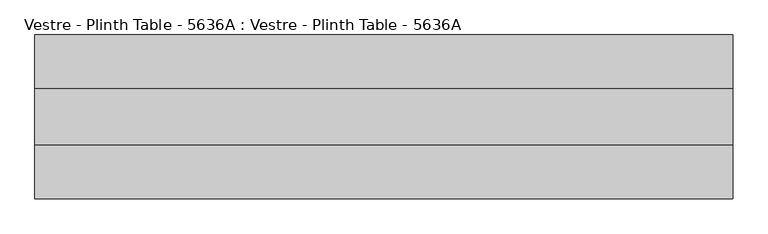
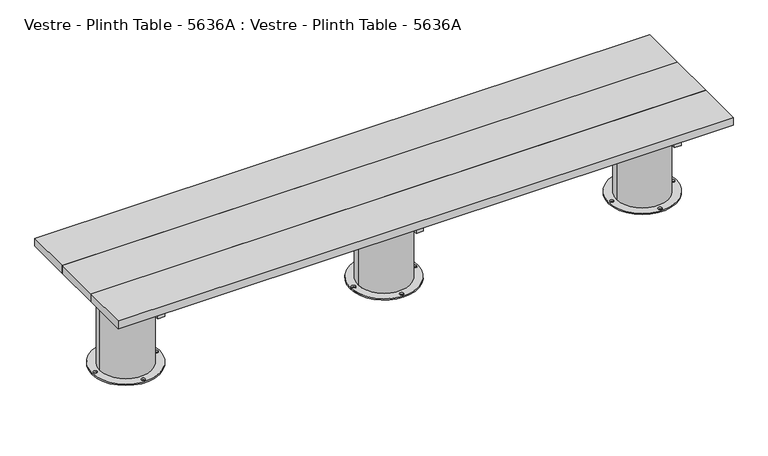
"""IFC4 building model written with IfcOpenShell, lengths in millimetres: furniture geometry, Vestre - Plinth Table - 5636A : Vestre - Plinth Table - 5636A."""

from ifc_helpers import new_model, si_unit, frame, origin, place, context, project, spatial, polyline, circle_curve, outline, extrude, source, transform, mapped, element, save
from ifc_brep_helpers import plane_surface, cylinder_surface, revolved_surface, advanced_brep


def vestre_plinth_table_5636a_vestre_plinth_table_5636a_cd278ea3(model_context):
    return source(origin(), model_context, "Body", "SolidModel", [
        extrude(outline(polyline([(1116.0, -483.0002308), (1085.9816865, -483.0002308), (1085.9816865, 43.000233), (1116.0, 43.000233), (1116.0, -483.0002308)])), frame((0.0, 0.0, 364.9999847), z_axis=(0.0, 0.0, 1.0), x_axis=(1.0, 0.0, 0.0)), (0.0, 0.0, 1.0), 50.0),
        extrude(outline(polyline([(-1085.9816865, -483.0002308), (-1116.0, -483.0002308), (-1116.0, 43.000233), (-1085.9816865, 43.000233), (-1085.9816865, -483.0002308)])), frame((0.0, 0.0, 364.9999847), z_axis=(0.0, 0.0, 1.0), x_axis=(1.0, 0.0, 0.0)), (0.0, 0.0, 1.0), 50.0),
        extrude(outline(polyline([(15.0005464, -483.0002308), (-15.0177671, -483.0002308), (-15.0177671, 43.000233), (15.0005464, 43.000233), (15.0005464, -483.0002308)])), frame((0.0, 0.0, 364.9999847), z_axis=(0.0, 0.0, 1.0), x_axis=(1.0, 0.0, 0.0)), (0.0, 0.0, 1.0), 50.0),
        extrude(outline(polyline([(1310.5001055, -114.9999989), (1310.5001055, -324.9999989), (-1310.5001055, -324.9999989), (-1310.5001055, -114.9999989), (1310.5001055, -114.9999989)])), frame((0.0, 0.0, 414.9999847), z_axis=(0.0, 0.0, 1.0), x_axis=(1.0, 0.0, 0.0)), (0.0, 0.0, 1.0), 35.0000153),
        extrude(outline(polyline([(1089.0001055, -202.4998463), (1089.0001055, -237.5001515), (-1089.0001055, -237.5001515), (-1089.0001055, -202.4998463), (1089.0001055, -202.4998463)])), frame((0.0, 0.0, 274.9999847), z_axis=(0.0, 0.0, 1.0), x_axis=(1.0, 0.0, 0.0)), (0.0, 0.0, 1.0), 90.0),
        extrude(outline(polyline([(1310.5001055, 87.500233), (1310.5001055, -114.9999989), (-1310.5001055, -114.9999989), (-1310.5001055, 87.500233), (1310.5001055, 87.500233)])), frame((0.0, 0.0, 414.9999847), z_axis=(0.0, 0.0, 1.0), x_axis=(1.0, 0.0, 0.0)), (0.0, 0.0, 1.0), 35.0000153),
        extrude(outline(polyline([(1310.5001055, -324.9999989), (1310.5001055, -527.5002308), (-1310.5001055, -527.5002308), (-1310.5001055, -324.9999989), (1310.5001055, -324.9999989)])), frame((0.0, 0.0, 414.9999847), z_axis=(0.0, 0.0, 1.0), x_axis=(1.0, 0.0, 0.0)), (0.0, 0.0, 1.0), 35.0000153),
        advanced_brep(
        [(108.1777507, -202.4998463, 364.9999847), (-108.1777507, -202.4998463, 364.9999847), (-108.1777507, -237.5001515, 364.9999847), (108.1777507, -237.5001515, 364.9999847), (144.5284655, -219.9999989, 0.0), (-144.531744, -219.9999989, 0.0), (138.0, -219.9999989, 0.0), (122.0, -219.9999989, 0.0), (8.0, -90.0001458, 0.0), (-8.0, -90.0001458, 0.0), (-138.0032784, -219.9999989, 0.0), (-122.0032784, -219.9999989, 0.0), (8.0, -349.9998521, 0.0), (-8.0, -349.9998521, 0.0), (-109.5841279, -219.9999989, 5.8600001), (109.5841279, -219.9999989, 5.8600001), (109.5841279, -219.9999989, 274.9999847), (108.1777507, -237.5001515, 274.9999847), (-108.1777507, -237.5001515, 274.9999847), (-109.5841279, -219.9999989, 274.9999847), (-108.1777507, -202.4998463, 274.9999847), (108.1777507, -202.4998463, 274.9999847), (144.5284655, -219.9999989, 5.8600001), (-144.531744, -219.9999989, 5.8600001), (138.0, -219.9999989, 5.8600001), (122.0, -219.9999989, 5.8600001), (8.0, -90.0001458, 5.8600001), (-8.0, -90.0001458, 5.8600001), (-138.0032784, -219.9999989, 5.8600001), (-122.0032784, -219.9999989, 5.8600001), (8.0, -349.9998521, 5.8600001), (-8.0, -349.9998521, 5.8600001)],
        [
            (0, 1, circle_curve(frame((0.0, -219.9999989, 364.9999847), z_axis=(0.0, 0.0, 1.0), x_axis=(-1.0, 0.0, 0.0)), 109.5841279)),
            (1, 0),
            (2, 3, circle_curve(frame((0.0, -219.9999989, 364.9999847), z_axis=(0.0, 0.0, 1.0), x_axis=(-1.0, 0.0, 0.0)), 109.5841279)),
            (3, 2),
            (4, 5, circle_curve(frame((-0.0016392, -219.9999989, 0.0), z_axis=(0.0, 0.0, -1.0), x_axis=(-1.0, 0.0, 0.0)), 144.5301047)),
            (5, 4, circle_curve(frame((-0.0016392, -219.9999989, 0.0), z_axis=(0.0, 0.0, -1.0), x_axis=(-1.0, 0.0, 0.0)), 144.5301047)),
            (6, 7, circle_curve(frame((130.0, -219.9999989, 0.0), z_axis=(0.0, 0.0, 1.0), x_axis=(-1.0, 0.0, 0.0)), 8.0)),
            (7, 6, circle_curve(frame((130.0, -219.9999989, 0.0), z_axis=(0.0, 0.0, 1.0), x_axis=(-1.0, 0.0, 0.0)), 8.0)),
            (8, 9, circle_curve(frame((0.0, -90.0001458, 0.0), z_axis=(0.0, 0.0, 1.0), x_axis=(-1.0, 0.0, 0.0)), 8.0)),
            (9, 8, circle_curve(frame((0.0, -90.0001458, 0.0), z_axis=(0.0, 0.0, 1.0), x_axis=(-1.0, 0.0, 0.0)), 8.0)),
            (10, 11, circle_curve(frame((-130.0032784, -219.9999989, 0.0), z_axis=(0.0, 0.0, 1.0), x_axis=(1.0, 0.0, 0.0)), 8.0)),
            (11, 10, circle_curve(frame((-130.0032784, -219.9999989, 0.0), z_axis=(0.0, 0.0, 1.0), x_axis=(1.0, 0.0, 0.0)), 8.0)),
            (12, 13, circle_curve(frame((0.0, -349.9998521, 0.0), z_axis=(0.0, 0.0, 1.0), x_axis=(-1.0, 0.0, 0.0)), 8.0)),
            (13, 12, circle_curve(frame((0.0, -349.9998521, 0.0), z_axis=(0.0, 0.0, 1.0), x_axis=(-1.0, 0.0, 0.0)), 8.0)),
            (14, 15, circle_curve(frame((0.0, -219.9999989, 5.8600001), z_axis=(0.0, 0.0, 1.0), x_axis=(-1.0, 0.0, 0.0)), 109.5841279)),
            (15, 16),
            (16, 17, circle_curve(frame((0.0, -219.9999989, 274.9999847), z_axis=(0.0, 0.0, -1.0), x_axis=(-1.0, 0.0, 0.0)), 109.5841279)),
            (17, 3),
            (2, 18),
            (18, 19, circle_curve(frame((0.0, -219.9999989, 274.9999847), z_axis=(0.0, 0.0, -1.0), x_axis=(-1.0, 0.0, 0.0)), 109.5841279)),
            (19, 14),
            (15, 14, circle_curve(frame((0.0, -219.9999989, 5.8600001), z_axis=(0.0, 0.0, 1.0), x_axis=(-1.0, 0.0, 0.0)), 109.5841279)),
            (19, 20, circle_curve(frame((0.0, -219.9999989, 274.9999847), z_axis=(0.0, 0.0, -1.0), x_axis=(-1.0, 0.0, 0.0)), 109.5841279)),
            (20, 1),
            (0, 21),
            (21, 16, circle_curve(frame((0.0, -219.9999989, 274.9999847), z_axis=(0.0, 0.0, -1.0), x_axis=(-1.0, 0.0, 0.0)), 109.5841279)),
            (22, 23, circle_curve(frame((-0.0016392, -219.9999989, 5.8600001), z_axis=(0.0, 0.0, 1.0), x_axis=(-1.0, 0.0, 0.0)), 144.5301047)),
            (23, 22, circle_curve(frame((-0.0016392, -219.9999989, 5.8600001), z_axis=(0.0, 0.0, 1.0), x_axis=(-1.0, 0.0, 0.0)), 144.5301047)),
            (24, 25, circle_curve(frame((130.0, -219.9999989, 5.8600001), z_axis=(0.0, 0.0, -1.0), x_axis=(-1.0, 0.0, 0.0)), 8.0)),
            (25, 24, circle_curve(frame((130.0, -219.9999989, 5.8600001), z_axis=(0.0, 0.0, -1.0), x_axis=(-1.0, 0.0, 0.0)), 8.0)),
            (26, 27, circle_curve(frame((0.0, -90.0001458, 5.8600001), z_axis=(0.0, 0.0, -1.0), x_axis=(-1.0, 0.0, 0.0)), 8.0)),
            (27, 26, circle_curve(frame((0.0, -90.0001458, 5.8600001), z_axis=(0.0, 0.0, -1.0), x_axis=(-1.0, 0.0, 0.0)), 8.0)),
            (28, 29, circle_curve(frame((-130.0032784, -219.9999989, 5.8600001), z_axis=(0.0, 0.0, -1.0), x_axis=(1.0, 0.0, 0.0)), 8.0)),
            (29, 28, circle_curve(frame((-130.0032784, -219.9999989, 5.8600001), z_axis=(0.0, 0.0, -1.0), x_axis=(1.0, 0.0, 0.0)), 8.0)),
            (30, 31, circle_curve(frame((0.0, -349.9998521, 5.8600001), z_axis=(0.0, 0.0, -1.0), x_axis=(-1.0, 0.0, 0.0)), 8.0)),
            (31, 30, circle_curve(frame((0.0, -349.9998521, 5.8600001), z_axis=(0.0, 0.0, -1.0), x_axis=(-1.0, 0.0, 0.0)), 8.0)),
            (22, 4),
            (5, 23),
            (24, 6),
            (7, 25),
            (26, 8),
            (9, 27),
            (28, 10),
            (11, 29),
            (30, 12),
            (13, 31),
            (21, 20),
            (18, 17),
        ],
        [
            plane_surface(frame((-109.5841279, -219.9999989, 364.9999847), z_axis=(0.0, 0.0, 1.0), x_axis=(0.0, -1.0, 0.0))),
            plane_surface(frame((-109.5841279, -219.9999989, 0.0), z_axis=(0.0, 0.0, -1.0), x_axis=(0.0, 1.0, 0.0))),
            cylinder_surface(frame((0.0, -219.9999989, 0.0), z_axis=(0.0, 0.0, 1.0), x_axis=(-1.0, 0.0, 0.0)), 109.5841279),
            plane_surface(frame((-144.531744, -219.9999989, 5.8600001), z_axis=(0.0, 0.0, 1.0), x_axis=(0.0, -1.0, 0.0))),
            cylinder_surface(frame((-0.0016392, -219.9999989, 0.0), z_axis=(0.0, 0.0, 1.0), x_axis=(-1.0, 0.0, 0.0)), 144.5301047),
            revolved_surface(polyline([(122.0, -219.9999989, 0.0), (122.0, -219.9999989, 5.8600001)]), (130.0, -219.9999989, 0.0), (0.0, 0.0, -1.0)),
            revolved_surface(polyline([(-8.0, -90.0001458, 0.0), (-8.0, -90.0001458, 5.8600001)]), (0.0, -90.0001458, 0.0), (0.0, 0.0, -1.0)),
            revolved_surface(polyline([(-122.0032784, -219.9999989, 0.0), (-122.0032784, -219.9999989, 5.8600001)]), (-130.0032784, -219.9999989, 0.0), (0.0, 0.0, -1.0)),
            revolved_surface(polyline([(-8.0, -349.9998521, 0.0), (-8.0, -349.9998521, 5.8600001)]), (0.0, -349.9998521, 0.0), (0.0, 0.0, -1.0)),
            plane_surface(frame((-130.5005464, -202.4998463, 274.9999847), z_axis=(0.0, 0.0, 1.0), x_axis=(1.0, 0.0, 0.0))),
            plane_surface(frame((-130.5005464, -202.4998463, 364.9999847), z_axis=(0.0, -1.0, 0.0), x_axis=(1.0, 0.0, 0.0))),
            plane_surface(frame((-130.5005464, -237.5001515, 274.9999847), z_axis=(0.0, 1.0, 0.0), x_axis=(1.0, 0.0, 0.0))),
        ],
        [
            (0, [[1, 2]]),
            (0, [[3, 4]]),
            (1, [[5, 6], [7, 8], [9, 10], [11, 12], [13, 14]]),
            (2, [[15, 16, 17, 18, -3, 19, 20, 21]]),
            (2, [[22, -21, 23, 24, -1, 25, 26, -16]]),
            (3, [[27, 28], [-15, -22], [29, 30], [31, 32], [33, 34], [35, 36]]),
            (4, [[-27, 37, -6, 38]]),
            (4, [[-28, -38, -5, -37]]),
            (5, [[-29, 39, -8, 40]]),
            (5, [[-30, -40, -7, -39]]),
            (6, [[-31, 41, -10, 42]]),
            (6, [[-32, -42, -9, -41]]),
            (7, [[-33, 43, -12, 44]]),
            (7, [[-34, -44, -11, -43]]),
            (8, [[-35, 45, -14, 46]]),
            (8, [[-36, -46, -13, -45]]),
            (9, [[47, -23, -20, 48, -17, -26]]),
            (10, [[-47, -25, -2, -24]]),
            (11, [[-48, -19, -4, -18]]),
        ],
    ),
        advanced_brep(
        [(1210.5835815, -219.9999989, 364.9999847), (992.8217029, -202.4998463, 364.9999847), (1089.0010928, -202.4998463, 364.9999847), (1089.0010928, -237.5001515, 364.9999847), (992.8217029, -237.5001515, 364.9999847), (1245.5295583, -219.9999989, 0.0), (956.4693488, -219.9999989, 0.0), (1239.0010928, -219.9999989, 0.0), (1223.0010928, -219.9999989, 0.0), (1109.0010928, -90.0001458, 0.0), (1093.0010928, -90.0001458, 0.0), (962.9978144, -219.9999989, 0.0), (978.9978144, -219.9999989, 0.0), (1109.0010928, -349.9998521, 0.0), (1093.0010928, -349.9998521, 0.0), (1210.5835815, -219.9999989, 5.8600001), (992.8217029, -237.5001515, 274.9999847), (991.4153257, -219.9999989, 274.9999847), (991.4153257, -219.9999989, 5.8600001), (992.8217029, -202.4998463, 274.9999847), (1245.5295583, -219.9999989, 5.8600001), (956.4693488, -219.9999989, 5.8600001), (1239.0010928, -219.9999989, 5.8600001), (1223.0010928, -219.9999989, 5.8600001), (1109.0010928, -90.0001458, 5.8600001), (1093.0010928, -90.0001458, 5.8600001), (962.9978144, -219.9999989, 5.8600001), (978.9978144, -219.9999989, 5.8600001), (1109.0010928, -349.9998521, 5.8600001), (1093.0010928, -349.9998521, 5.8600001), (1089.0010928, -237.5001515, 274.9999847), (1089.0010928, -202.4998463, 274.9999847)],
        [
            (0, 1, circle_curve(frame((1100.9994536, -219.9999989, 364.9999847), z_axis=(0.0, 0.0, 1.0), x_axis=(-1.0, 0.0, 0.0)), 109.5841279)),
            (1, 2),
            (2, 3),
            (3, 4),
            (4, 0, circle_curve(frame((1100.9994536, -219.9999989, 364.9999847), z_axis=(0.0, 0.0, 1.0), x_axis=(-1.0, 0.0, 0.0)), 109.5841279)),
            (5, 6, circle_curve(frame((1100.9994536, -219.9999989, 0.0), z_axis=(0.0, 0.0, -1.0), x_axis=(-1.0, 0.0, 0.0)), 144.5301047)),
            (6, 5, circle_curve(frame((1100.9994536, -219.9999989, 0.0), z_axis=(0.0, 0.0, -1.0), x_axis=(-1.0, 0.0, 0.0)), 144.5301047)),
            (7, 8, circle_curve(frame((1231.0010928, -219.9999989, 0.0), z_axis=(0.0, 0.0, 1.0), x_axis=(-1.0, 0.0, 0.0)), 8.0)),
            (8, 7, circle_curve(frame((1231.0010928, -219.9999989, 0.0), z_axis=(0.0, 0.0, 1.0), x_axis=(-1.0, 0.0, 0.0)), 8.0)),
            (9, 10, circle_curve(frame((1101.0010928, -90.0001458, 0.0), z_axis=(0.0, 0.0, 1.0), x_axis=(-1.0, 0.0, 0.0)), 8.0)),
            (10, 9, circle_curve(frame((1101.0010928, -90.0001458, 0.0), z_axis=(0.0, 0.0, 1.0), x_axis=(-1.0, 0.0, 0.0)), 8.0)),
            (11, 12, circle_curve(frame((970.9978144, -219.9999989, 0.0), z_axis=(0.0, 0.0, 1.0), x_axis=(1.0, 0.0, 0.0)), 8.0)),
            (12, 11, circle_curve(frame((970.9978144, -219.9999989, 0.0), z_axis=(0.0, 0.0, 1.0), x_axis=(1.0, 0.0, 0.0)), 8.0)),
            (13, 14, circle_curve(frame((1101.0010928, -349.9998521, 0.0), z_axis=(0.0, 0.0, 1.0), x_axis=(-1.0, 0.0, 0.0)), 8.0)),
            (14, 13, circle_curve(frame((1101.0010928, -349.9998521, 0.0), z_axis=(0.0, 0.0, 1.0), x_axis=(-1.0, 0.0, 0.0)), 8.0)),
            (15, 0),
            (4, 16),
            (16, 17, circle_curve(frame((1100.9994536, -219.9999989, 274.9999847), z_axis=(0.0, 0.0, -1.0), x_axis=(-1.0, 0.0, 0.0)), 109.5841279)),
            (17, 18),
            (18, 15, circle_curve(frame((1100.9994536, -219.9999989, 5.8600001), z_axis=(0.0, 0.0, 1.0), x_axis=(-1.0, 0.0, 0.0)), 109.5841279)),
            (15, 18, circle_curve(frame((1100.9994536, -219.9999989, 5.8600001), z_axis=(0.0, 0.0, 1.0), x_axis=(-1.0, 0.0, 0.0)), 109.5841279)),
            (17, 19, circle_curve(frame((1100.9994536, -219.9999989, 274.9999847), z_axis=(0.0, 0.0, -1.0), x_axis=(-1.0, 0.0, 0.0)), 109.5841279)),
            (19, 1),
            (20, 21, circle_curve(frame((1100.9994536, -219.9999989, 5.8600001), z_axis=(0.0, 0.0, 1.0), x_axis=(-1.0, 0.0, 0.0)), 144.5301047)),
            (21, 20, circle_curve(frame((1100.9994536, -219.9999989, 5.8600001), z_axis=(0.0, 0.0, 1.0), x_axis=(-1.0, 0.0, 0.0)), 144.5301047)),
            (22, 23, circle_curve(frame((1231.0010928, -219.9999989, 5.8600001), z_axis=(0.0, 0.0, -1.0), x_axis=(-1.0, 0.0, 0.0)), 8.0)),
            (23, 22, circle_curve(frame((1231.0010928, -219.9999989, 5.8600001), z_axis=(0.0, 0.0, -1.0), x_axis=(-1.0, 0.0, 0.0)), 8.0)),
            (24, 25, circle_curve(frame((1101.0010928, -90.0001458, 5.8600001), z_axis=(0.0, 0.0, -1.0), x_axis=(-1.0, 0.0, 0.0)), 8.0)),
            (25, 24, circle_curve(frame((1101.0010928, -90.0001458, 5.8600001), z_axis=(0.0, 0.0, -1.0), x_axis=(-1.0, 0.0, 0.0)), 8.0)),
            (26, 27, circle_curve(frame((970.9978144, -219.9999989, 5.8600001), z_axis=(0.0, 0.0, -1.0), x_axis=(1.0, 0.0, 0.0)), 8.0)),
            (27, 26, circle_curve(frame((970.9978144, -219.9999989, 5.8600001), z_axis=(0.0, 0.0, -1.0), x_axis=(1.0, 0.0, 0.0)), 8.0)),
            (28, 29, circle_curve(frame((1101.0010928, -349.9998521, 5.8600001), z_axis=(0.0, 0.0, -1.0), x_axis=(-1.0, 0.0, 0.0)), 8.0)),
            (29, 28, circle_curve(frame((1101.0010928, -349.9998521, 5.8600001), z_axis=(0.0, 0.0, -1.0), x_axis=(-1.0, 0.0, 0.0)), 8.0)),
            (21, 6),
            (5, 20),
            (23, 8),
            (7, 22),
            (25, 10),
            (9, 24),
            (27, 12),
            (11, 26),
            (29, 14),
            (13, 28),
            (30, 3),
            (2, 31),
            (31, 30),
            (31, 19),
            (16, 30),
        ],
        [
            plane_surface(frame((991.4153257, -219.9999989, 364.9999847), z_axis=(0.0, 0.0, 1.0), x_axis=(0.0, -1.0, 0.0))),
            plane_surface(frame((991.4153257, -219.9999989, 0.0), z_axis=(0.0, 0.0, -1.0), x_axis=(0.0, 1.0, 0.0))),
            cylinder_surface(frame((1100.9994536, -219.9999989, 0.0), z_axis=(0.0, 0.0, 1.0), x_axis=(-1.0, 0.0, 0.0)), 109.5841279),
            plane_surface(frame((956.4693488, -219.9999989, 5.8600001), z_axis=(0.0, 0.0, 1.0), x_axis=(0.0, -1.0, 0.0))),
            cylinder_surface(frame((1100.9994536, -219.9999989, 0.0), z_axis=(0.0, 0.0, 1.0), x_axis=(-1.0, 0.0, 0.0)), 144.5301047),
            revolved_surface(polyline([(1223.0010928, -219.9999989, 0.0), (1223.0010928, -219.9999989, 5.8600001)]), (1231.0010928, -219.9999989, 0.0), (0.0, 0.0, -1.0)),
            revolved_surface(polyline([(1093.0010928, -90.0001458, 0.0), (1093.0010928, -90.0001458, 5.8600001)]), (1101.0010928, -90.0001458, 0.0), (0.0, 0.0, -1.0)),
            revolved_surface(polyline([(978.9978144, -219.9999989, 0.0), (978.9978144, -219.9999989, 5.8600001)]), (970.9978144, -219.9999989, 0.0), (0.0, 0.0, -1.0)),
            revolved_surface(polyline([(1093.0010928, -349.9998521, 0.0), (1093.0010928, -349.9998521, 5.8600001)]), (1101.0010928, -349.9998521, 0.0), (0.0, 0.0, -1.0)),
            plane_surface(frame((1089.0010928, -237.5001515, 274.9999847), z_axis=(-1.0, 0.0, 0.0), x_axis=(0.0, 0.0, -1.0))),
            plane_surface(frame((970.5005464, -202.4998463, 274.9999847), z_axis=(0.0, 0.0, 1.0), x_axis=(1.0, 0.0, 0.0))),
            plane_surface(frame((970.5005464, -202.4998463, 364.9999847), z_axis=(0.0, -1.0, 0.0), x_axis=(1.0, 0.0, 0.0))),
            plane_surface(frame((970.5005464, -237.5001515, 274.9999847), z_axis=(0.0, 1.0, 0.0), x_axis=(1.0, 0.0, 0.0))),
        ],
        [
            (0, [[1, 2, 3, 4, 5]]),
            (1, [[6, 7], [8, 9], [10, 11], [12, 13], [14, 15]]),
            (2, [[16, -5, 17, 18, 19, 20]]),
            (2, [[-16, 21, -19, 22, 23, -1]]),
            (3, [[24, 25], [-20, -21], [26, 27], [28, 29], [30, 31], [32, 33]]),
            (4, [[-25, 34, -6, 35]]),
            (4, [[-24, -35, -7, -34]]),
            (5, [[-27, 36, -8, 37]]),
            (5, [[-26, -37, -9, -36]]),
            (6, [[-29, 38, -10, 39]]),
            (6, [[-28, -39, -11, -38]]),
            (7, [[-31, 40, -12, 41]]),
            (7, [[-30, -41, -13, -40]]),
            (8, [[-33, 42, -14, 43]]),
            (8, [[-32, -43, -15, -42]]),
            (9, [[44, -3, 45, 46]]),
            (10, [[-46, 47, -22, -18, 48]]),
            (11, [[-45, -2, -23, -47]]),
            (12, [[-44, -48, -17, -4]]),
        ],
    ),
        advanced_brep(
        [(-1210.5835815, -219.9999989, 364.9999847), (-992.8217029, -237.5001515, 364.9999847), (-1089.0010928, -237.5001515, 364.9999847), (-1089.0010928, -202.4998463, 364.9999847), (-992.8217029, -202.4998463, 364.9999847), (-1245.5295583, -219.9999989, 0.0), (-956.4693488, -219.9999989, 0.0), (-1239.0010928, -219.9999989, 0.0), (-1223.0010928, -219.9999989, 0.0), (-1109.0010928, -90.0001458, 0.0), (-1093.0010928, -90.0001458, 0.0), (-962.9978144, -219.9999989, 0.0), (-978.9978144, -219.9999989, 0.0), (-1109.0010928, -349.9998521, 0.0), (-1093.0010928, -349.9998521, 0.0), (-1210.5835815, -219.9999989, 5.8600001), (-991.4153257, -219.9999989, 5.8600001), (-991.4153257, -219.9999989, 274.9999847), (-992.8217029, -237.5001515, 274.9999847), (-992.8217029, -202.4998463, 274.9999847), (-1245.5295583, -219.9999989, 5.8600001), (-956.4693488, -219.9999989, 5.8600001), (-1239.0010928, -219.9999989, 5.8600001), (-1223.0010928, -219.9999989, 5.8600001), (-1109.0010928, -90.0001458, 5.8600001), (-1093.0010928, -90.0001458, 5.8600001), (-962.9978144, -219.9999989, 5.8600001), (-978.9978144, -219.9999989, 5.8600001), (-1109.0010928, -349.9998521, 5.8600001), (-1093.0010928, -349.9998521, 5.8600001), (-1089.0010928, -237.5001515, 274.9999847), (-1089.0010928, -202.4998463, 274.9999847)],
        [
            (0, 1, circle_curve(frame((-1100.9994536, -219.9999989, 364.9999847), z_axis=(0.0, 0.0, 1.0), x_axis=(1.0, 0.0, 0.0)), 109.5841279)),
            (1, 2),
            (2, 3),
            (3, 4),
            (4, 0, circle_curve(frame((-1100.9994536, -219.9999989, 364.9999847), z_axis=(0.0, 0.0, 1.0), x_axis=(1.0, 0.0, 0.0)), 109.5841279)),
            (5, 6, circle_curve(frame((-1100.9994536, -219.9999989, 0.0), z_axis=(0.0, 0.0, -1.0), x_axis=(1.0, 0.0, 0.0)), 144.5301047)),
            (6, 5, circle_curve(frame((-1100.9994536, -219.9999989, 0.0), z_axis=(0.0, 0.0, -1.0), x_axis=(1.0, 0.0, 0.0)), 144.5301047)),
            (7, 8, circle_curve(frame((-1231.0010928, -219.9999989, 0.0), z_axis=(0.0, 0.0, 1.0), x_axis=(1.0, 0.0, 0.0)), 8.0)),
            (8, 7, circle_curve(frame((-1231.0010928, -219.9999989, 0.0), z_axis=(0.0, 0.0, 1.0), x_axis=(1.0, 0.0, 0.0)), 8.0)),
            (9, 10, circle_curve(frame((-1101.0010928, -90.0001458, 0.0), z_axis=(0.0, 0.0, 1.0), x_axis=(1.0, 0.0, 0.0)), 8.0)),
            (10, 9, circle_curve(frame((-1101.0010928, -90.0001458, 0.0), z_axis=(0.0, 0.0, 1.0), x_axis=(1.0, 0.0, 0.0)), 8.0)),
            (11, 12, circle_curve(frame((-970.9978144, -219.9999989, 0.0), z_axis=(0.0, 0.0, 1.0), x_axis=(-1.0, 0.0, 0.0)), 8.0)),
            (12, 11, circle_curve(frame((-970.9978144, -219.9999989, 0.0), z_axis=(0.0, 0.0, 1.0), x_axis=(-1.0, 0.0, 0.0)), 8.0)),
            (13, 14, circle_curve(frame((-1101.0010928, -349.9998521, 0.0), z_axis=(0.0, 0.0, 1.0), x_axis=(1.0, 0.0, 0.0)), 8.0)),
            (14, 13, circle_curve(frame((-1101.0010928, -349.9998521, 0.0), z_axis=(0.0, 0.0, 1.0), x_axis=(1.0, 0.0, 0.0)), 8.0)),
            (0, 15),
            (15, 16, circle_curve(frame((-1100.9994536, -219.9999989, 5.8600001), z_axis=(0.0, 0.0, 1.0), x_axis=(1.0, 0.0, 0.0)), 109.5841279)),
            (16, 17),
            (17, 18, circle_curve(frame((-1100.9994536, -219.9999989, 274.9999847), z_axis=(0.0, 0.0, -1.0), x_axis=(1.0, 0.0, 0.0)), 109.5841279)),
            (18, 1),
            (4, 19),
            (19, 17, circle_curve(frame((-1100.9994536, -219.9999989, 274.9999847), z_axis=(0.0, 0.0, -1.0), x_axis=(1.0, 0.0, 0.0)), 109.5841279)),
            (16, 15, circle_curve(frame((-1100.9994536, -219.9999989, 5.8600001), z_axis=(0.0, 0.0, 1.0), x_axis=(1.0, 0.0, 0.0)), 109.5841279)),
            (20, 21, circle_curve(frame((-1100.9994536, -219.9999989, 5.8600001), z_axis=(0.0, 0.0, 1.0), x_axis=(1.0, 0.0, 0.0)), 144.5301047)),
            (21, 20, circle_curve(frame((-1100.9994536, -219.9999989, 5.8600001), z_axis=(0.0, 0.0, 1.0), x_axis=(1.0, 0.0, 0.0)), 144.5301047)),
            (22, 23, circle_curve(frame((-1231.0010928, -219.9999989, 5.8600001), z_axis=(0.0, 0.0, -1.0), x_axis=(1.0, 0.0, 0.0)), 8.0)),
            (23, 22, circle_curve(frame((-1231.0010928, -219.9999989, 5.8600001), z_axis=(0.0, 0.0, -1.0), x_axis=(1.0, 0.0, 0.0)), 8.0)),
            (24, 25, circle_curve(frame((-1101.0010928, -90.0001458, 5.8600001), z_axis=(0.0, 0.0, -1.0), x_axis=(1.0, 0.0, 0.0)), 8.0)),
            (25, 24, circle_curve(frame((-1101.0010928, -90.0001458, 5.8600001), z_axis=(0.0, 0.0, -1.0), x_axis=(1.0, 0.0, 0.0)), 8.0)),
            (26, 27, circle_curve(frame((-970.9978144, -219.9999989, 5.8600001), z_axis=(0.0, 0.0, -1.0), x_axis=(-1.0, 0.0, 0.0)), 8.0)),
            (27, 26, circle_curve(frame((-970.9978144, -219.9999989, 5.8600001), z_axis=(0.0, 0.0, -1.0), x_axis=(-1.0, 0.0, 0.0)), 8.0)),
            (28, 29, circle_curve(frame((-1101.0010928, -349.9998521, 5.8600001), z_axis=(0.0, 0.0, -1.0), x_axis=(1.0, 0.0, 0.0)), 8.0)),
            (29, 28, circle_curve(frame((-1101.0010928, -349.9998521, 5.8600001), z_axis=(0.0, 0.0, -1.0), x_axis=(1.0, 0.0, 0.0)), 8.0)),
            (20, 5),
            (6, 21),
            (22, 7),
            (8, 23),
            (24, 9),
            (10, 25),
            (26, 11),
            (12, 27),
            (28, 13),
            (14, 29),
            (30, 31),
            (31, 3),
            (2, 30),
            (30, 18),
            (19, 31),
        ],
        [
            plane_surface(frame((-991.4153257, -219.9999989, 364.9999847), z_axis=(0.0, 0.0, 1.0), x_axis=(0.0, 1.0, 0.0))),
            plane_surface(frame((-991.4153257, -219.9999989, 0.0), z_axis=(0.0, 0.0, -1.0), x_axis=(0.0, -1.0, 0.0))),
            cylinder_surface(frame((-1100.9994536, -219.9999989, 0.0), z_axis=(0.0, 0.0, 1.0), x_axis=(1.0, 0.0, 0.0)), 109.5841279),
            plane_surface(frame((-956.4693488, -219.9999989, 5.8600001), z_axis=(0.0, 0.0, 1.0), x_axis=(0.0, 1.0, 0.0))),
            cylinder_surface(frame((-1100.9994536, -219.9999989, 0.0), z_axis=(0.0, 0.0, 1.0), x_axis=(1.0, 0.0, 0.0)), 144.5301047),
            revolved_surface(polyline([(-1223.0010928, -219.9999989, 0.0), (-1223.0010928, -219.9999989, 5.8600001)]), (-1231.0010928, -219.9999989, 0.0), (0.0, 0.0, -1.0)),
            revolved_surface(polyline([(-1093.0010928, -90.0001458, 0.0), (-1093.0010928, -90.0001458, 5.8600001)]), (-1101.0010928, -90.0001458, 0.0), (0.0, 0.0, -1.0)),
            revolved_surface(polyline([(-978.9978144, -219.9999989, 0.0), (-978.9978144, -219.9999989, 5.8600001)]), (-970.9978144, -219.9999989, 0.0), (0.0, 0.0, -1.0)),
            revolved_surface(polyline([(-1093.0010928, -349.9998521, 0.0), (-1093.0010928, -349.9998521, 5.8600001)]), (-1101.0010928, -349.9998521, 0.0), (0.0, 0.0, -1.0)),
            plane_surface(frame((-1089.0010928, -202.4998463, 274.9999847), z_axis=(1.0, 0.0, 0.0), x_axis=(0.0, -1.0, 0.0))),
            plane_surface(frame((-970.5005464, -237.5001515, 274.9999847), z_axis=(0.0, 0.0, 1.0), x_axis=(-1.0, 0.0, 0.0))),
            plane_surface(frame((-970.5005464, -202.4998463, 274.9999847), z_axis=(0.0, -1.0, 0.0), x_axis=(-1.0, 0.0, 0.0))),
            plane_surface(frame((-970.5005464, -237.5001515, 364.9999847), z_axis=(0.0, 1.0, 0.0), x_axis=(-1.0, 0.0, 0.0))),
        ],
        [
            (0, [[1, 2, 3, 4, 5]]),
            (1, [[6, 7], [8, 9], [10, 11], [12, 13], [14, 15]]),
            (2, [[16, 17, 18, 19, 20, -1]]),
            (2, [[-16, -5, 21, 22, -18, 23]]),
            (3, [[24, 25], [-17, -23], [26, 27], [28, 29], [30, 31], [32, 33]]),
            (4, [[-24, 34, -7, 35]]),
            (4, [[-25, -35, -6, -34]]),
            (5, [[-26, 36, -9, 37]]),
            (5, [[-27, -37, -8, -36]]),
            (6, [[-28, 38, -11, 39]]),
            (6, [[-29, -39, -10, -38]]),
            (7, [[-30, 40, -13, 41]]),
            (7, [[-31, -41, -12, -40]]),
            (8, [[-32, 42, -15, 43]]),
            (8, [[-33, -43, -14, -42]]),
            (9, [[44, 45, -3, 46]]),
            (10, [[-44, 47, -19, -22, 48]]),
            (11, [[-45, -48, -21, -4]]),
            (12, [[-46, -2, -20, -47]]),
        ],
    ),
    ])


if __name__ == "__main__":
    model = new_model("IFC4")
    model_context = context("Model", 3, world=origin())
    ifc_project = project(units=[si_unit("LENGTHUNIT", "METRE", prefix="MILLI")], contexts=[model_context])
    site = spatial("IfcSite", under=ifc_project)
    building = spatial("IfcBuilding", under=site)
    placement = place(None, origin())
    vestre_plinth_table_5636a_vestre_plinth_table_5636a_shape = vestre_plinth_table_5636a_vestre_plinth_table_5636a_cd278ea3(model_context)
    element("IfcFurniture", 1, ObjectType="Vestre - Plinth Table - 5636A : Vestre - Plinth Table - 5636A", at=placement, inside=building, context=model_context, shape_type="MappedRepresentation", body=[
        mapped(vestre_plinth_table_5636a_vestre_plinth_table_5636a_shape, transform((0.0, 0.0, 0.0), x_axis=(1.0, 0.0, 0.0), y_axis=(0.0, 1.0, 0.0), z_axis=(0.0, 0.0, 1.0))),
    ])
    save(model, "model.ifc")
